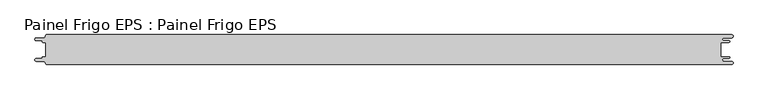
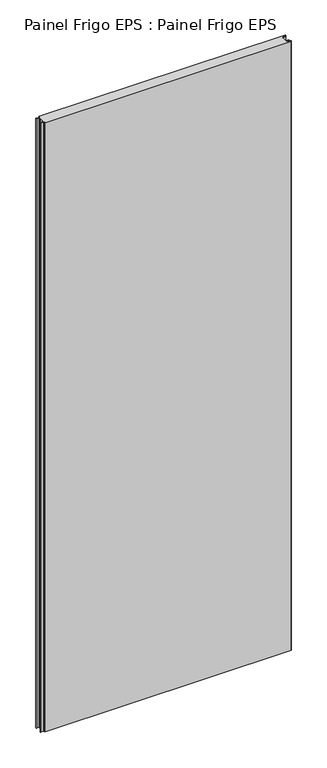
"""IFC4 building model written with IfcOpenShell, lengths in millimetres: proxy geometry, Painel Frigo EPS : Painel Frigo EPS."""

import ifcopenshell
import ifcopenshell.guid

model = None  # the IFC model being written
_history = None  # IfcOwnerHistory: only IFC2X3 demands one
_inside = {}  # id of a spatial element -> (the spatial element, [elements in it])
_under = {}  # id of a project, library or spatial element -> (it, [spatial elements below it])
_declared = {}  # id of a project -> (the project, [libraries it declares])
_typed = {}  # id of a type object -> (the type object, [elements of that type])
_made_of = {}  # id of a material, layer set ... -> (it, [elements and type objects made of it])


def new_model(schema):
    """Start an empty IFC model of exactly this schema.

    Asked for "IFC4X3", IfcOpenShell would pick the latest addendum, in which some entities
    have other attributes; the version numbers below select the first issue.
    IFC2X3 requires an IfcOwnerHistory on every rooted entity: one is made here for all.
    """
    global model, _history
    if schema == "IFC4X3":
        model = ifcopenshell.file(schema_version=(4, 3, 0, 0))
    else:
        model = ifcopenshell.file(schema=schema)
    _inside.clear()
    _under.clear()
    _declared.clear()
    _typed.clear()
    _made_of.clear()
    _history = None
    if model.schema == "IFC2X3":
        org = make("IfcOrganization", Name="unknown")
        user = make(
            "IfcPersonAndOrganization",
            ThePerson=make("IfcPerson", FamilyName="unknown"),
            TheOrganization=org,
        )
        app = make(
            "IfcApplication",
            ApplicationDeveloper=org,
            Version="unknown",
            ApplicationFullName="unknown",
            ApplicationIdentifier="unknown",
        )
        _history = make(
            "IfcOwnerHistory",
            OwningUser=user,
            OwningApplication=app,
            ChangeAction="ADDED",
            CreationDate=0,
        )
    return model


def make(cls, **values):
    """One entity of the class cls with the attributes given. An attribute that is None is left unset."""
    return model.create_entity(
        cls, **{name: value for name, value in values.items() if value is not None}
    )


def rooted(cls, **values):
    """An entity with a GlobalId (a new one), such as an element, a storey or a relation."""
    return make(cls, GlobalId=ifcopenshell.guid.new(), OwnerHistory=_history, **values)


def si_unit(unit_type, name, prefix=None):
    """IfcSIUnit, for example si_unit("LENGTHUNIT", "METRE", prefix="MILLI")."""
    return make("IfcSIUnit", UnitType=unit_type, Prefix=prefix, Name=name)


def assignment(units):
    """IfcUnitAssignment: the units of a project."""
    return None if units is None else make("IfcUnitAssignment", Units=units)


def point(xyz):
    """IfcCartesianPoint."""
    return None if xyz is None else make("IfcCartesianPoint", Coordinates=xyz)


def direction(xyz):
    """IfcDirection."""
    return None if xyz is None else make("IfcDirection", DirectionRatios=xyz)


def frame(location, z_axis=None, x_axis=None):
    """IfcAxis2Placement3D, a coordinate frame: its origin and axes. An axis left out is left unset."""
    return make(
        "IfcAxis2Placement3D",
        Location=point(location),
        Axis=direction(z_axis),
        RefDirection=direction(x_axis),
    )


def origin():
    """The frame at (0, 0, 0) with its axes left unset."""
    return frame((0.0, 0.0, 0.0))


def place(relative_to, where):
    """IfcLocalPlacement: puts the frame where relative to a parent placement (None: the world)."""
    return make(
        "IfcLocalPlacement", PlacementRelTo=relative_to, RelativePlacement=where
    )


def context(
    kind, dimensions, precision=None, world=None, true_north=None, identifier=None
):
    """IfcGeometricRepresentationContext, for example the 3D "Model" context."""
    return make(
        "IfcGeometricRepresentationContext",
        ContextIdentifier=identifier,
        ContextType=kind,
        CoordinateSpaceDimension=dimensions,
        Precision=precision,
        WorldCoordinateSystem=world,
        TrueNorth=true_north,
    )


def project(units=None, contexts=None):
    """IfcProject with its units and contexts."""
    return rooted(
        "IfcProject",
        Name="project",
        RepresentationContexts=contexts,
        UnitsInContext=assignment(units),
    )


def spatial(cls, under=None, at=None, **own):
    """A site, building, storey or space (cls), placed at a placement, below another one or the project."""
    s = rooted(cls, ObjectPlacement=at, **own)
    if under is not None:
        _under.setdefault(under.id(), (under, []))[1].append(s)
    return s


def polyline(points):
    """IfcPolyline through the points."""
    return make("IfcPolyline", Points=[point(p) for p in points])


def circle_curve(where, radius):
    """IfcCircle in the frame where."""
    return make("IfcCircle", Position=where, Radius=radius)


def shape(context_of_items, identifier, shape_type, items):
    """IfcShapeRepresentation: the items that make up one representation, for example the "Body"."""
    return make(
        "IfcShapeRepresentation",
        ContextOfItems=context_of_items,
        RepresentationIdentifier=identifier,
        RepresentationType=shape_type,
        Items=items,
    )


def source(mapping_origin, context_of_items, identifier, shape_type, items):
    """IfcRepresentationMap: a shape defined once, which mapped items show again and again."""
    return make(
        "IfcRepresentationMap",
        MappingOrigin=mapping_origin,
        MappedRepresentation=shape(context_of_items, identifier, shape_type, items),
    )


def transform(
    local_origin,
    x_axis=None,
    y_axis=None,
    z_axis=None,
    scale=None,
    scale2=None,
    scale3=None,
    uniform=True,
):
    """IfcCartesianTransformationOperator3D, or its non-uniform kind. x_axis, y_axis, z_axis: its Axis1, 2, 3."""
    if uniform:
        return make(
            "IfcCartesianTransformationOperator3D",
            Axis1=direction(x_axis),
            Axis2=direction(y_axis),
            LocalOrigin=point(local_origin),
            Scale=scale,
            Axis3=direction(z_axis),
        )
    return make(
        "IfcCartesianTransformationOperator3DnonUniform",
        Axis1=direction(x_axis),
        Axis2=direction(y_axis),
        LocalOrigin=point(local_origin),
        Scale=scale,
        Axis3=direction(z_axis),
        Scale2=scale2,
        Scale3=scale3,
    )


def mapped(mapping_source, mapping_target):
    """IfcMappedItem: shows the shape of a source again, moved by a transform."""
    return make(
        "IfcMappedItem", MappingSource=mapping_source, MappingTarget=mapping_target
    )


def made_of(thing, what):
    """Note that an element or type object is made of a material, layer set ...; save() writes the relation."""
    if what is not None:
        _made_of.setdefault(what.id(), (what, []))[1].append(thing)
    return thing


def element(
    cls,
    number,
    at=None,
    inside=None,
    cuts=None,
    type_object=None,
    material=None,
    context=None,
    identifier="Body",
    shape_type=None,
    held_by="IfcProductDefinitionShape",
    body=None,
    shapes=None,
    **own,
):
    """One element of the class cls, such as IfcWall. Its Tag is "e" and its number.

    at: its placement. inside: the storey or other place that contains it. cuts: it is an
    opening in that element (IfcRelVoidsElement). A single representation is given by context,
    identifier, shape_type and body (its items); several are given by shapes. held_by: the class
    of the entity that holds the representations. save() writes the other relations.
    """
    e = rooted(cls, Tag="e%d" % number, ObjectPlacement=at, **own)
    if body is not None:
        shapes = [shape(context, identifier, shape_type, body)]
    if shapes is not None:
        e.Representation = make(held_by, Representations=shapes)
    if inside is not None:
        _inside.setdefault(inside.id(), (inside, []))[1].append(e)
    if cuts is not None:
        rooted(
            "IfcRelVoidsElement", RelatingBuildingElement=cuts, RelatedOpeningElement=e
        )
    if type_object is not None:
        _typed.setdefault(type_object.id(), (type_object, []))[1].append(e)
    return made_of(e, material)


def aggregate(whole, parts):
    """IfcRelAggregates: a whole, such as a stair, and the parts it consists of."""
    return rooted("IfcRelAggregates", RelatingObject=whole, RelatedObjects=parts)


def save(model, path):
    """Write the relations noted so far, then the file.

    IfcRelAggregates (storeys below a building ...), IfcRelContainedInSpatialStructure (elements
    in a storey), IfcRelDefinesByType, IfcRelAssociatesMaterial and IfcRelDeclares: one each for
    every whole, place, type object, material and project.
    """
    for whole, parts in _under.values():
        aggregate(whole, parts)
    for where, things in _inside.values():
        rooted(
            "IfcRelContainedInSpatialStructure",
            RelatedElements=things,
            RelatingStructure=where,
        )
    for kind, things in _typed.values():
        rooted("IfcRelDefinesByType", RelatedObjects=things, RelatingType=kind)
    for what, things in _made_of.values():
        rooted("IfcRelAssociatesMaterial", RelatedObjects=things, RelatingMaterial=what)
    for by, libraries in _declared.values():
        rooted("IfcRelDeclares", RelatingContext=by, RelatedDefinitions=libraries)
    model.write(path)


def plane_surface(at):
    """IfcPlane: the flat surface through the origin of the frame at, square to its z axis."""
    return make("IfcPlane", Position=at)


def cylinder_surface(at, radius):
    """IfcCylindricalSurface: all points at the distance radius from the z axis of the frame at."""
    return make("IfcCylindricalSurface", Position=at, Radius=radius)


def revolved_surface(curve, axis_point, axis_direction):
    """IfcSurfaceOfRevolution: the curve turned about the line through axis_point along axis_direction."""
    return make(
        "IfcSurfaceOfRevolution",
        SweptCurve=make("IfcArbitraryOpenProfileDef", ProfileType="CURVE", Curve=curve),
        AxisPosition=make("IfcAxis1Placement", Location=point(axis_point), Axis=direction(axis_direction)),
    )


def advanced_brep(points, edges, surfaces, faces):
    """IfcAdvancedBrep: a solid bounded by faces that lie on surfaces and meet in shared edges.

    An edge is (start, end): straight between two places in points (the first is 0);
    or (start, end, curve); or (start, end, curve, False) where it runs against its curve.
    A face is (place in surfaces, loops), or (place, loops, False) where it looks against
    its surface's normal. A loop lists edges by number (the first is 1), with a minus sign
    where the edge is run from its end to its start. The first loop is the outer one.
    """
    corners = [point(p) for p in points]
    vertices = [make("IfcVertexPoint", VertexGeometry=c) for c in corners]
    made = []
    for start, end, *more in edges:
        made.append(
            make(
                "IfcEdgeCurve",
                EdgeStart=vertices[start],
                EdgeEnd=vertices[end],
                EdgeGeometry=more[0] if more else make("IfcPolyline", Points=[corners[start], corners[end]]),
                SameSense=more[1] if len(more) > 1 else True,
            )
        )
    hull = []
    for where, loops, *sense in faces:
        bounds = []
        for j, loop in enumerate(loops):
            ring = [make("IfcOrientedEdge", EdgeElement=made[abs(k) - 1], Orientation=k > 0) for k in loop]
            bounds.append(
                make(
                    "IfcFaceOuterBound" if j == 0 else "IfcFaceBound",
                    Bound=make("IfcEdgeLoop", EdgeList=ring),
                    Orientation=True,
                )
            )
        hull.append(make("IfcAdvancedFace", Bounds=bounds, FaceSurface=surfaces[where], SameSense=sense[0] if sense else True))
    return make("IfcAdvancedBrep", Outer=make("IfcClosedShell", CfsFaces=hull))


def painel_frigo_eps_painel_frigo_eps_fe07a03c(model_context):
    return source(origin(), model_context, "Body", "AdvancedBrep", [
        advanced_brep(
        [(-579.5093748, 12.3, 3000.0), (-574.2218362, 12.3, 3000.0), (-574.2218362, -12.2999995, 3000.0), (-579.5093748, -12.2999995, 3000.0), (-580.1093753, -12.9, 3000.0), (-580.1093753, -13.7085185, 3000.0), (-581.5093753, -15.1085185, 3000.0), (-590.4875, -15.1085185, 3000.0), (-590.4875, -19.5085185, 3000.0), (-578.471875, -19.5085185, 3000.0), (-574.921875, -23.0585185, 3000.0), (-572.971875, -25.0, 3000.0), (572.284375, -25.0, 3000.0), (572.284375, -19.725, 3000.0), (559.378125, -19.725, 3000.0), (559.378125, -14.875, 3000.0), (568.0406253, -14.875, 3000.0), (568.0406253, -12.3, 3000.0), (554.1906253, -12.3, 3000.0), (554.1906253, 12.3, 3000.0), (568.0406253, 12.3, 3000.0), (568.0406253, 14.875, 3000.0), (559.378125, 14.875, 3000.0), (559.378125, 19.725, 3000.0), (572.284375, 19.725, 3000.0), (572.284375, 25.0, 3000.0), (-572.971875, 25.0, 3000.0), (-574.921875, 23.05, 3000.0), (-578.471875, 19.5085185, 3000.0), (-590.4875, 19.5085185, 3000.0), (-590.4875, 15.1085187, 3000.0), (-581.5093751, 15.1085187, 3000.0), (-580.1093748, 13.7085184, 3000.0), (-580.1093748, 12.9, 3000.0), (-579.5093748, 12.3, 0.0), (-580.1093748, 12.9, 0.0), (-580.1093748, 13.7085184, 0.0), (-581.5093751, 15.1085187, 0.0), (-590.4875, 15.1085187, 0.0), (-590.4875, 19.5085185, 0.0), (-578.471875, 19.5085185, 0.0), (-574.921875, 23.0585185, 0.0), (-572.971875, 25.0, 0.0), (572.284375, 25.0, 0.0), (572.284375, 19.725, 0.0), (559.378125, 19.725, 0.0), (559.378125, 14.875, 0.0), (568.0406253, 14.875, 0.0), (568.0406253, 12.3, 0.0), (554.1906253, 12.3, 0.0), (554.1906253, -12.3, 0.0), (568.0406253, -12.3, 0.0), (568.0406253, -14.875, 0.0), (559.378125, -14.875, 0.0), (559.378125, -19.725, 0.0), (572.284375, -19.725, 0.0), (572.284375, -25.0, 0.0), (-572.971875, -25.0, 0.0), (-574.921875, -23.05, 0.0), (-578.471875, -19.5085185, 0.0), (-590.4875, -19.5085185, 0.0), (-590.4875, -15.1085185, 0.0), (-581.5093753, -15.1085185, 0.0), (-580.1093753, -13.7085185, 0.0), (-580.1093753, -12.9, 0.0), (-579.5093748, -12.2999995, 0.0), (-574.2218362, -12.2999995, 0.0), (-574.2218362, 12.3, 0.0)],
        [
            (0, 1),
            (1, 2),
            (2, 3),
            (3, 4, circle_curve(frame((-579.5093748, -12.9, 3000.0), z_axis=(0.0, 0.0, 1.0), x_axis=(1.0, 0.0, 0.0)), 0.6000005)),
            (4, 5),
            (5, 6, circle_curve(frame((-581.5093753, -13.7085185, 3000.0), z_axis=(0.0, 0.0, -1.0), x_axis=(1.0, 0.0, 0.0)), 1.4)),
            (6, 7),
            (7, 8, circle_curve(frame((-590.4875, -17.3085185, 3000.0), z_axis=(0.0, 0.0, 1.0), x_axis=(1.0, 0.0, 0.0)), 2.2)),
            (8, 9),
            (9, 10, circle_curve(frame((-578.471875, -23.0585185, 3000.0), z_axis=(0.0, 0.0, -1.0), x_axis=(1.0, 0.0, 0.0)), 3.55)),
            (10, 11, circle_curve(frame((-572.971875, -23.05, 3000.0), z_axis=(0.0, 0.0, 1.0), x_axis=(1.0, 0.0, 0.0)), 1.95)),
            (11, 12),
            (12, 13, circle_curve(frame((572.284375, -22.3625, 3000.0), z_axis=(0.0, 0.0, 1.0), x_axis=(1.0, 0.0, 0.0)), 2.6375)),
            (13, 14),
            (14, 15, circle_curve(frame((559.378125, -17.3, 3000.0), z_axis=(0.0, 0.0, -1.0), x_axis=(1.0, 0.0, 0.0)), 2.425)),
            (15, 16),
            (16, 17, circle_curve(frame((568.0406253, -13.5875, 3000.0), z_axis=(0.0, 0.0, 1.0), x_axis=(1.0, 0.0, 0.0)), 1.2875)),
            (17, 18),
            (18, 19),
            (19, 20),
            (20, 21, circle_curve(frame((568.0406253, 13.5875, 3000.0), z_axis=(0.0, 0.0, 1.0), x_axis=(1.0, 0.0, 0.0)), 1.2875)),
            (21, 22),
            (22, 23, circle_curve(frame((559.378125, 17.3, 3000.0), z_axis=(0.0, 0.0, -1.0), x_axis=(1.0, 0.0, 0.0)), 2.425)),
            (23, 24),
            (24, 25, circle_curve(frame((572.284375, 22.3625, 3000.0), z_axis=(0.0, 0.0, 1.0), x_axis=(1.0, 0.0, 0.0)), 2.6375)),
            (25, 26),
            (26, 27, circle_curve(frame((-572.971875, 23.05, 3000.0), z_axis=(0.0, 0.0, 1.0), x_axis=(1.0, 0.0, 0.0)), 1.95)),
            (27, 28, circle_curve(frame((-578.471875, 23.0585185, 3000.0), z_axis=(0.0, 0.0, -1.0), x_axis=(1.0, 0.0, 0.0)), 3.55)),
            (28, 29),
            (29, 30, circle_curve(frame((-590.4875, 17.3085186, 3000.0), z_axis=(0.0, 0.0, 1.0), x_axis=(1.0, 0.0, 0.0)), 2.1999999)),
            (30, 31),
            (31, 32, circle_curve(frame((-581.5093751, 13.7085184, 3000.0), z_axis=(0.0, 0.0, -1.0), x_axis=(1.0, 0.0, 0.0)), 1.4000003)),
            (32, 33),
            (33, 0, circle_curve(frame((-579.5093748, 12.9, 3000.0), z_axis=(0.0, 0.0, 1.0), x_axis=(1.0, 0.0, 0.0)), 0.6)),
            (34, 35, circle_curve(frame((-579.5093748, 12.9, 0.0), z_axis=(0.0, 0.0, -1.0), x_axis=(1.0, 0.0, 0.0)), 0.6)),
            (35, 36),
            (36, 37, circle_curve(frame((-581.5093751, 13.7085184, 0.0), z_axis=(0.0, 0.0, 1.0), x_axis=(1.0, 0.0, 0.0)), 1.4000003)),
            (37, 38),
            (38, 39, circle_curve(frame((-590.4875, 17.3085186, 0.0), z_axis=(0.0, 0.0, -1.0), x_axis=(1.0, 0.0, 0.0)), 2.1999999)),
            (39, 40),
            (40, 41, circle_curve(frame((-578.471875, 23.0585185, 0.0), z_axis=(0.0, 0.0, 1.0), x_axis=(1.0, 0.0, 0.0)), 3.55)),
            (41, 42, circle_curve(frame((-572.971875, 23.05, 0.0), z_axis=(0.0, 0.0, -1.0), x_axis=(1.0, 0.0, 0.0)), 1.95)),
            (42, 43),
            (43, 44, circle_curve(frame((572.284375, 22.3625, 0.0), z_axis=(0.0, 0.0, -1.0), x_axis=(1.0, 0.0, 0.0)), 2.6375)),
            (44, 45),
            (45, 46, circle_curve(frame((559.378125, 17.3, 0.0), z_axis=(0.0, 0.0, 1.0), x_axis=(1.0, 0.0, 0.0)), 2.425)),
            (46, 47),
            (47, 48, circle_curve(frame((568.0406253, 13.5875, 0.0), z_axis=(0.0, 0.0, -1.0), x_axis=(1.0, 0.0, 0.0)), 1.2875)),
            (48, 49),
            (49, 50),
            (50, 51),
            (51, 52, circle_curve(frame((568.0406253, -13.5875, 0.0), z_axis=(0.0, 0.0, -1.0), x_axis=(1.0, 0.0, 0.0)), 1.2875)),
            (52, 53),
            (53, 54, circle_curve(frame((559.378125, -17.3, 0.0), z_axis=(0.0, 0.0, 1.0), x_axis=(1.0, 0.0, 0.0)), 2.425)),
            (54, 55),
            (55, 56, circle_curve(frame((572.284375, -22.3625, 0.0), z_axis=(0.0, 0.0, -1.0), x_axis=(1.0, 0.0, 0.0)), 2.6375)),
            (56, 57),
            (57, 58, circle_curve(frame((-572.971875, -23.05, 0.0), z_axis=(0.0, 0.0, -1.0), x_axis=(1.0, 0.0, 0.0)), 1.95)),
            (58, 59, circle_curve(frame((-578.471875, -23.0585185, 0.0), z_axis=(0.0, 0.0, 1.0), x_axis=(1.0, 0.0, 0.0)), 3.55)),
            (59, 60),
            (60, 61, circle_curve(frame((-590.4875, -17.3085185, 0.0), z_axis=(0.0, 0.0, -1.0), x_axis=(1.0, 0.0, 0.0)), 2.2)),
            (61, 62),
            (62, 63, circle_curve(frame((-581.5093753, -13.7085185, 0.0), z_axis=(0.0, 0.0, 1.0), x_axis=(1.0, 0.0, 0.0)), 1.4)),
            (63, 64),
            (64, 65, circle_curve(frame((-579.5093748, -12.9, 0.0), z_axis=(0.0, 0.0, -1.0), x_axis=(1.0, 0.0, 0.0)), 0.6000005)),
            (65, 66),
            (66, 67),
            (67, 34),
            (11, 57),
            (56, 12),
            (25, 43),
            (42, 26),
            (0, 34),
            (67, 1),
            (66, 2),
            (65, 3),
            (64, 4),
            (63, 5),
            (62, 6),
            (61, 7),
            (60, 8),
            (59, 9),
            (58, 10),
            (18, 50),
            (49, 19),
            (48, 20),
            (47, 21),
            (46, 22),
            (45, 23),
            (44, 24),
            (41, 27),
            (40, 28),
            (39, 29),
            (38, 30),
            (37, 31),
            (36, 32),
            (35, 33),
            (55, 13),
            (54, 14),
            (53, 15),
            (52, 16),
            (51, 17),
        ],
        [
            plane_surface(frame((-574.2218362, 12.3, 3000.0), z_axis=(0.0, 0.0, 1.0), x_axis=(1.0, 0.0, 0.0))),
            plane_surface(frame((-574.2218362, 12.3, 0.0), z_axis=(0.0, 0.0, -1.0), x_axis=(-1.0, 0.0, 0.0))),
            plane_surface(frame((-572.971875, -25.0, 3000.0), z_axis=(0.0, -1.0, 0.0), x_axis=(0.0, 0.0, -1.0))),
            plane_surface(frame((572.284375, 25.0, 3000.0), z_axis=(0.0, 1.0, 0.0), x_axis=(0.0, 0.0, -1.0))),
            plane_surface(frame((-579.5093748, 12.3, 3000.0), z_axis=(0.0, -1.0, 0.0), x_axis=(0.0, 0.0, -1.0))),
            plane_surface(frame((-574.2218362, 12.3, 3000.0), z_axis=(-1.0, 0.0, 0.0), x_axis=(0.0, 0.0, -1.0))),
            plane_surface(frame((-574.2218362, -12.2999995, 3000.0), z_axis=(0.0, 1.0, 0.0), x_axis=(0.0, 0.0, -1.0))),
            cylinder_surface(frame((-579.5093748, -12.9, 0.0), z_axis=(0.0, 0.0, 1.0), x_axis=(1.0, 0.0, 0.0)), 0.6000005),
            plane_surface(frame((-580.1093753, -12.9, 3000.0), z_axis=(-1.0, 1.757860866232943e-12, 0.0), x_axis=(0.0, 0.0, -1.0))),
            revolved_surface(polyline([(-580.1093753, -13.7085185, 0.0), (-580.1093753, -13.7085185, 3000.0)]), (-581.5093753, -13.7085185, 0.0), (0.0, 0.0, -1.0)),
            plane_surface(frame((-581.5093753, -15.1085185, 3000.0), z_axis=(0.0, 1.0, 0.0), x_axis=(0.0, 0.0, -1.0))),
            cylinder_surface(frame((-590.4875, -17.3085185, 0.0), z_axis=(0.0, 0.0, 1.0), x_axis=(1.0, 0.0, 0.0)), 2.2),
            plane_surface(frame((-590.4875, -19.5085185, 3000.0), z_axis=(0.0, -1.0, 0.0), x_axis=(0.0, 0.0, -1.0))),
            revolved_surface(polyline([(-574.921875, -23.0585185, 0.0), (-574.921875, -23.0585185, 3000.0)]), (-578.471875, -23.0585185, 0.0), (0.0, 0.0, -1.0)),
            cylinder_surface(frame((-572.971875, -23.05, 0.0), z_axis=(0.0, 0.0, 1.0), x_axis=(1.0, 0.0, 0.0)), 1.95),
            plane_surface(frame((554.1906253, -12.3, 3000.0), z_axis=(1.0, 0.0, 0.0), x_axis=(0.0, 0.0, -1.0))),
            plane_surface(frame((554.1906253, 12.3, 3000.0), z_axis=(0.0, -1.0, 0.0), x_axis=(0.0, 0.0, -1.0))),
            cylinder_surface(frame((568.0406253, 13.5875, 0.0), z_axis=(0.0, 0.0, 1.0), x_axis=(1.0, 0.0, 0.0)), 1.2875),
            plane_surface(frame((568.0406253, 14.875, 3000.0), z_axis=(0.0, 1.0, 0.0), x_axis=(0.0, 0.0, -1.0))),
            revolved_surface(polyline([(561.8031249999999, 17.3, 0.0), (561.8031249999999, 17.3, 3000.0)]), (559.378125, 17.3, 0.0), (0.0, 0.0, -1.0)),
            plane_surface(frame((559.378125, 19.725, 3000.0), z_axis=(0.0, -1.0, 0.0), x_axis=(0.0, 0.0, -1.0))),
            cylinder_surface(frame((572.284375, 22.3625, 0.0), z_axis=(0.0, 0.0, 1.0), x_axis=(1.0, 0.0, 0.0)), 2.6375),
            cylinder_surface(frame((-572.971875, 23.05, 0.0), z_axis=(0.0, 0.0, 1.0), x_axis=(1.0, 0.0, 0.0)), 1.95),
            revolved_surface(polyline([(-574.921875, 23.0585185, 0.0), (-574.921875, 23.0585185, 3000.0)]), (-578.471875, 23.0585185, 0.0), (0.0, 0.0, -1.0)),
            plane_surface(frame((-578.471875, 19.5085185, 3000.0), z_axis=(0.0, 1.0, 0.0), x_axis=(0.0, 0.0, -1.0))),
            cylinder_surface(frame((-590.4875, 17.3085186, 0.0), z_axis=(0.0, 0.0, 1.0), x_axis=(1.0, 0.0, 0.0)), 2.1999999),
            plane_surface(frame((-590.4875, 15.1085187, 3000.0), z_axis=(0.0, -1.0, 0.0), x_axis=(0.0, 0.0, -1.0))),
            revolved_surface(polyline([(-580.1093748000001, 13.7085184, 0.0), (-580.1093748000001, 13.7085184, 3000.0)]), (-581.5093751, 13.7085184, 0.0), (0.0, 0.0, -1.0)),
            plane_surface(frame((-580.1093748, 13.7085184, 3000.0), z_axis=(-1.0, 0.0, 0.0), x_axis=(0.0, 0.0, -1.0))),
            cylinder_surface(frame((-579.5093748, 12.9, 0.0), z_axis=(0.0, 0.0, 1.0), x_axis=(1.0, 0.0, 0.0)), 0.6),
            cylinder_surface(frame((572.284375, -22.3625, 0.0), z_axis=(0.0, 0.0, 1.0), x_axis=(1.0, 0.0, 0.0)), 2.6375),
            plane_surface(frame((572.284375, -19.725, 3000.0), z_axis=(0.0, 1.0, 0.0), x_axis=(0.0, 0.0, -1.0))),
            revolved_surface(polyline([(561.8031249999999, -17.3, 0.0), (561.8031249999999, -17.3, 3000.0)]), (559.378125, -17.3, 0.0), (0.0, 0.0, -1.0)),
            plane_surface(frame((559.378125, -14.875, 3000.0), z_axis=(0.0, -1.0, 0.0), x_axis=(0.0, 0.0, -1.0))),
            cylinder_surface(frame((568.0406253, -13.5875, 0.0), z_axis=(0.0, 0.0, 1.0), x_axis=(1.0, 0.0, 0.0)), 1.2875),
            plane_surface(frame((568.0406253, -12.3, 3000.0), z_axis=(0.0, 1.0, 0.0), x_axis=(0.0, 0.0, -1.0))),
        ],
        [
            (0, [[1, 2, 3, 4, 5, 6, 7, 8, 9, 10, 11, 12, 13, 14, 15, 16, 17, 18, 19, 20, 21, 22, 23, 24, 25, 26, 27, 28, 29, 30, 31, 32, 33, 34]]),
            (1, [[35, 36, 37, 38, 39, 40, 41, 42, 43, 44, 45, 46, 47, 48, 49, 50, 51, 52, 53, 54, 55, 56, 57, 58, 59, 60, 61, 62, 63, 64, 65, 66, 67, 68]]),
            (2, [[-12, 69, -57, 70]]),
            (3, [[-26, 71, -43, 72]]),
            (4, [[-1, 73, -68, 74]]),
            (5, [[-2, -74, -67, 75]]),
            (6, [[-3, -75, -66, 76]]),
            (7, [[-4, -76, -65, 77]]),
            (8, [[-5, -77, -64, 78]]),
            (9, [[-6, -78, -63, 79]]),
            (10, [[-7, -79, -62, 80]]),
            (11, [[-8, -80, -61, 81]]),
            (12, [[-9, -81, -60, 82]]),
            (13, [[-10, -82, -59, 83]]),
            (14, [[-11, -83, -58, -69]]),
            (15, [[-19, 84, -50, 85]]),
            (16, [[-20, -85, -49, 86]]),
            (17, [[-21, -86, -48, 87]]),
            (18, [[-22, -87, -47, 88]]),
            (19, [[-23, -88, -46, 89]]),
            (20, [[-24, -89, -45, 90]]),
            (21, [[-25, -90, -44, -71]]),
            (22, [[-27, -72, -42, 91]]),
            (23, [[-28, -91, -41, 92]]),
            (24, [[-29, -92, -40, 93]]),
            (25, [[-30, -93, -39, 94]]),
            (26, [[-31, -94, -38, 95]]),
            (27, [[-32, -95, -37, 96]]),
            (28, [[-33, -96, -36, 97]]),
            (29, [[-34, -97, -35, -73]]),
            (30, [[-13, -70, -56, 98]]),
            (31, [[-14, -98, -55, 99]]),
            (32, [[-15, -99, -54, 100]]),
            (33, [[-16, -100, -53, 101]]),
            (34, [[-17, -101, -52, 102]]),
            (35, [[-18, -102, -51, -84]]),
        ],
    ),
    ])


if __name__ == "__main__":
    model = new_model("IFC4")
    model_context = context("Model", 3, world=origin())
    ifc_project = project(units=[si_unit("LENGTHUNIT", "METRE", prefix="MILLI")], contexts=[model_context])
    site = spatial("IfcSite", under=ifc_project)
    building = spatial("IfcBuilding", under=site)
    placement = place(None, origin())
    painel_frigo_eps_painel_frigo_eps_shape = painel_frigo_eps_painel_frigo_eps_fe07a03c(model_context)
    element("IfcBuildingElementProxy", 1, Name="Painel Frigo EPS : Painel Frigo EPS", ObjectType="Painel Frigo EPS : Painel Frigo EPS", at=placement, inside=building, context=model_context, shape_type="MappedRepresentation", body=[
        mapped(painel_frigo_eps_painel_frigo_eps_shape, transform((0.0, 0.0, 0.0), x_axis=(1.0, 0.0, 0.0), y_axis=(0.0, 1.0, 0.0), z_axis=(0.0, 0.0, 1.0))),
    ])
    save(model, "model.ifc")
